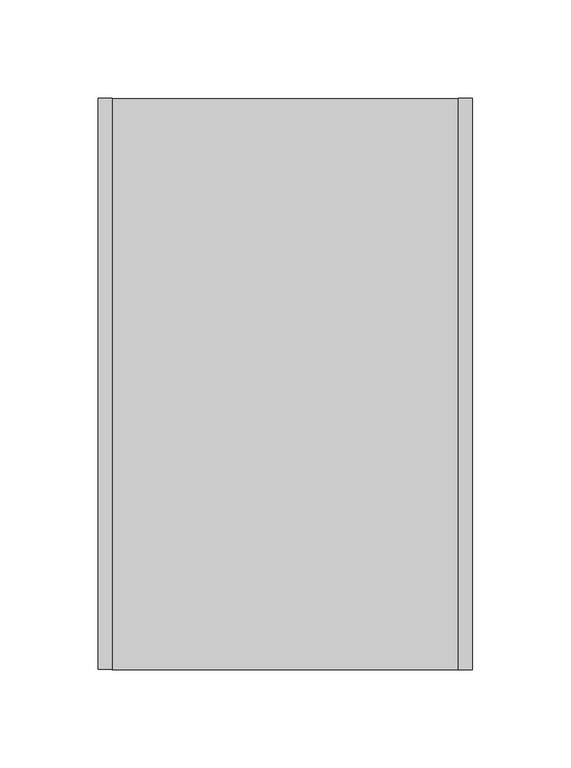
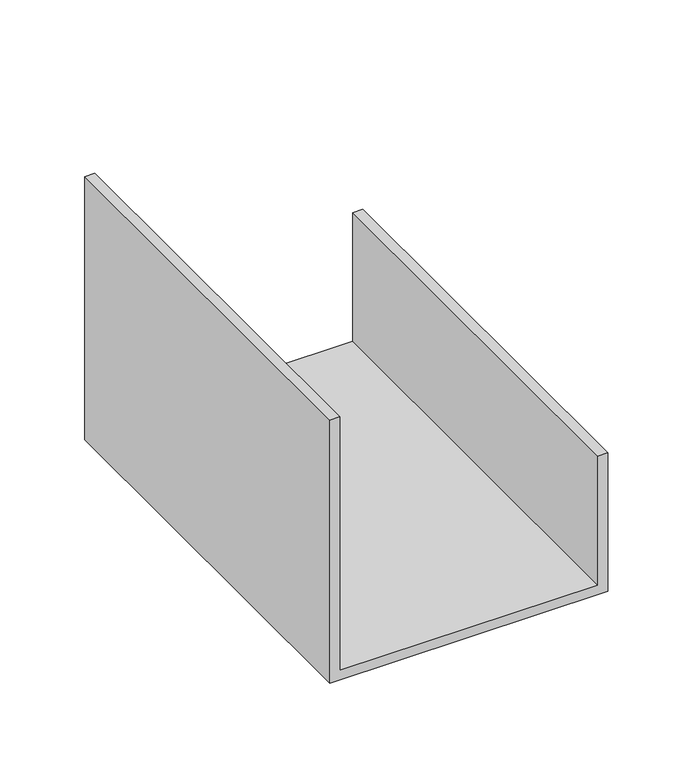
"""IFC4 building model written with IfcOpenShell, lengths in millimetres: proxy geometry."""

from ifc_helpers import new_model, si_unit, frame, origin, place, context, project, spatial, polyline, outline, extrude, source, transform, mapped, element, save


def generic_models_4811c429(model_context):
    return source(origin(), model_context, "Body", "SweptSolid", [
        extrude(outline(polyline([(0.0, 190.0), (100.0, 190.0), (100.0, 183.0), (7.0, 183.0), (7.0, 7.0), (190.0, 7.0), (190.0, 0.0), (0.0, 0.0), (0.0, 190.0)])), frame((0.0, 0.0, 0.0), z_axis=(0.0, 1.0, 0.0), x_axis=(0.0, 0.0, 1.0)), (0.0, 0.0, 1.0), 290.0),
    ])


if __name__ == "__main__":
    model = new_model("IFC4")
    model_context = context("Model", 3, world=origin())
    ifc_project = project(units=[si_unit("LENGTHUNIT", "METRE", prefix="MILLI")], contexts=[model_context])
    site = spatial("IfcSite", under=ifc_project)
    building = spatial("IfcBuilding", under=site)
    placement = place(None, origin())
    generic_models_shape = generic_models_4811c429(model_context)
    element("IfcBuildingElementProxy", 1, Name="Generic Models", at=placement, inside=building, context=model_context, shape_type="MappedRepresentation", body=[
        mapped(generic_models_shape, transform((0.0, 0.0, 0.0), x_axis=(1.0, 0.0, 0.0), y_axis=(0.0, 1.0, 0.0), z_axis=(0.0, 0.0, 1.0))),
    ])
    save(model, "model.ifc")
